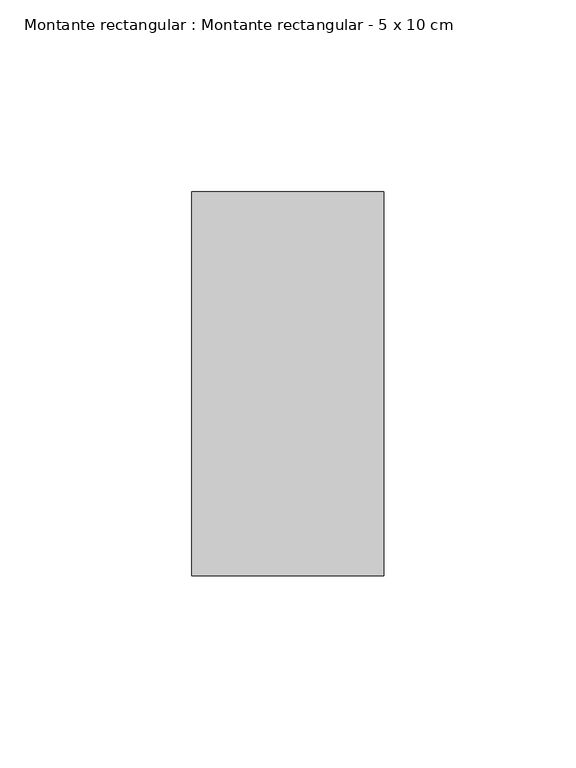
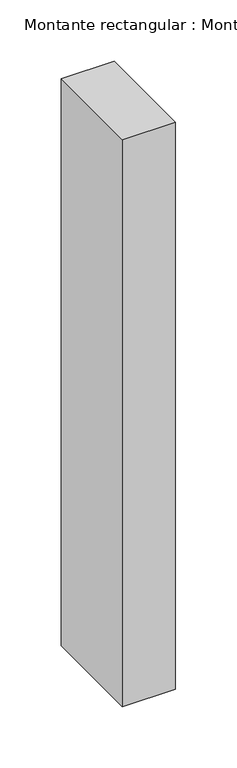
"""IFC4 building model written with IfcOpenShell, lengths in millimetres: member geometry, Montante rectangular : Montante rectangular - 5 x 10 cm."""

from ifc_helpers import new_model, si_unit, frame, origin, place, context, project, spatial, polyline, outline, extrude, source, transform, mapped, element, save


def montante_rectangular_montante_rectangular_5_x_10_cm_d0940222(model_context):
    return source(origin(), model_context, "Body", "SweptSolid", [
        extrude(outline(polyline([(-50.0, 50.0), (0.0, 50.0), (0.0, -50.0), (-50.0, -50.0), (-50.0, 50.0)])), frame((0.0, 0.0, -565.5935957), z_axis=(0.0, 0.0, 1.0), x_axis=(1.0, 0.0, 0.0)), (0.0, 0.0, 1.0), 565.5935957),
    ])


if __name__ == "__main__":
    model = new_model("IFC4")
    model_context = context("Model", 3, world=origin())
    ifc_project = project(units=[si_unit("LENGTHUNIT", "METRE", prefix="MILLI")], contexts=[model_context])
    site = spatial("IfcSite", under=ifc_project)
    building = spatial("IfcBuilding", under=site)
    placement = place(None, origin())
    montante_rectangular_montante_rectangular_5_x_10_cm_shape = montante_rectangular_montante_rectangular_5_x_10_cm_d0940222(model_context)
    element("IfcMember", 1, ObjectType="Montante rectangular : Montante rectangular - 5 x 10 cm", at=placement, inside=building, context=model_context, shape_type="MappedRepresentation", body=[
        mapped(montante_rectangular_montante_rectangular_5_x_10_cm_shape, transform((0.0, 0.0, 0.0), x_axis=(1.0, 0.0, 0.0), y_axis=(0.0, 1.0, 0.0), z_axis=(0.0, 0.0, 1.0))),
    ])
    save(model, "model.ifc")
